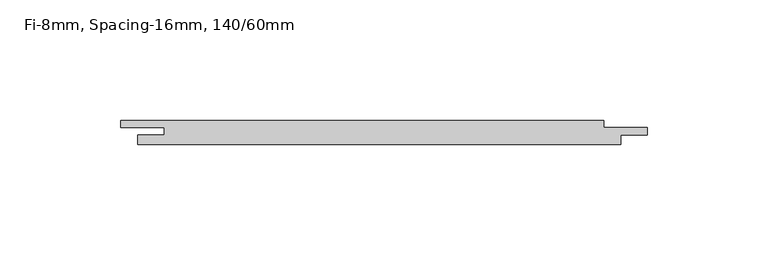
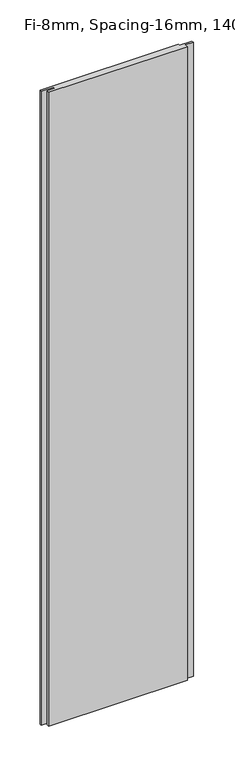
"""IFC4 building model written with IfcOpenShell, lengths in millimetres: plate geometry, Fi-8mm, Spacing-16mm, 140/60mm."""

from ifc_helpers import new_model, si_unit, origin, origin_with_axes, place, context, project, spatial, polyline, outline, extrude, source, transform, mapped, element, save


def fi_8mm_spacing_16mm_140_60mm_fd4f4c40(model_context):
    return source(origin(), model_context, "Body", "SweptSolid", [
        extrude(outline(polyline([(93.0, 5.0), (93.0, 2.0), (111.0, 2.0), (111.0, -1.0), (100.0, -1.0), (100.0, -5.0), (-100.0, -5.0), (-100.0, -1.0), (-89.0, -1.0), (-89.0, 2.0), (-107.0, 2.0), (-107.0, 5.0), (93.0, 5.0)])), origin_with_axes(), (0.0, 0.0, 1.0), 966.8),
    ])


if __name__ == "__main__":
    model = new_model("IFC4")
    model_context = context("Model", 3, world=origin())
    ifc_project = project(units=[si_unit("LENGTHUNIT", "METRE", prefix="MILLI")], contexts=[model_context])
    site = spatial("IfcSite", under=ifc_project)
    building = spatial("IfcBuilding", under=site)
    placement = place(None, origin())
    fi_8mm_spacing_16mm_140_60mm_shape = fi_8mm_spacing_16mm_140_60mm_fd4f4c40(model_context)
    element("IfcPlate", 1, ObjectType="Fi-8mm, Spacing-16mm, 140/60mm", at=placement, inside=building, context=model_context, shape_type="MappedRepresentation", body=[
        mapped(fi_8mm_spacing_16mm_140_60mm_shape, transform((0.0, 0.0, 0.0), x_axis=(1.0, 0.0, 0.0), y_axis=(0.0, 1.0, 0.0), z_axis=(0.0, 0.0, 1.0))),
    ])
    save(model, "model.ifc")
